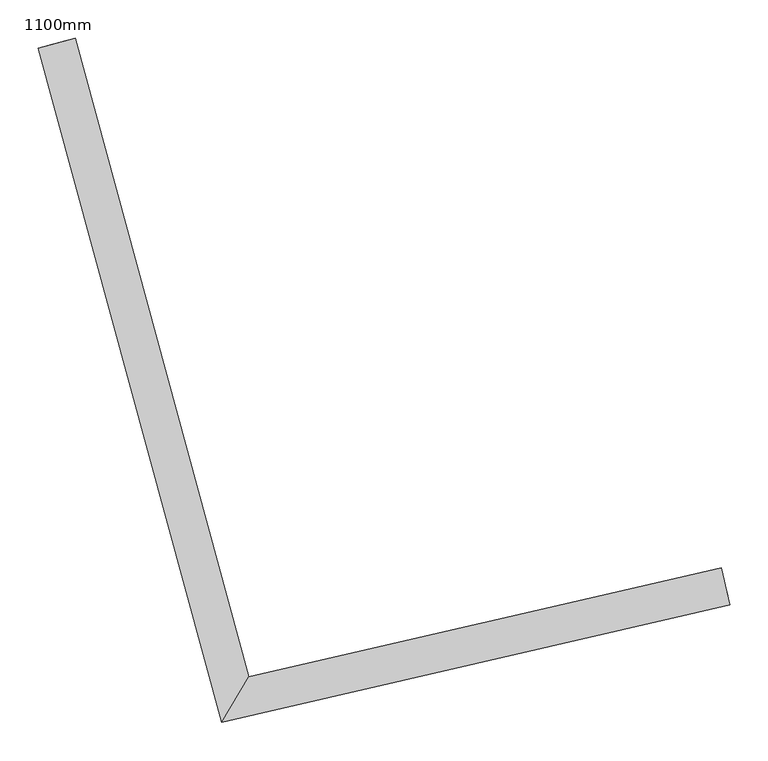
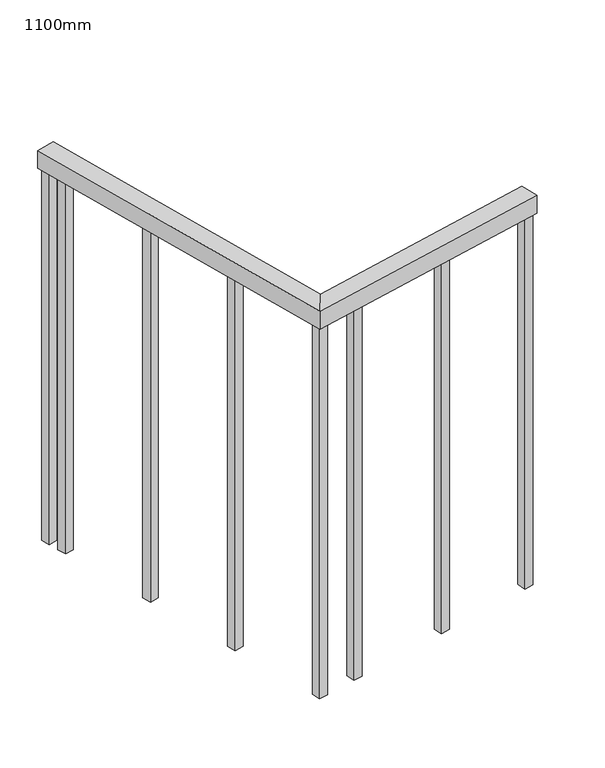
"""IFC4 building model written with IfcOpenShell, lengths in millimetres: railing geometry, 1100mm."""

from ifc_helpers import new_model, si_unit, frame, origin, place, context, project, spatial, polyline, outline, extrude, faceted_brep, source, transform, mapped, element, save


def railing_1100mm_aca69c27(model_context):
    return source(origin(), model_context, "Body", "SolidModel", [
        faceted_brep([(115688.6001979, -92308.4828349, 1700.0), (115699.8477506, -92357.2013381, 1700.0), (115699.8477506, -92357.2013381, 1650.0), (115688.6001979, -92308.4828349, 1650.0), (115070.4534528, -92451.1932558, 1700.0), (115034.8229873, -92510.7344023, 1700.0), (115034.8229873, -92510.7344023, 1650.0), (115070.4534528, -92451.1932558, 1650.0), (114843.1567639, -91614.9437961, 1700.0), (114843.1567639, -91614.9437961, 1650.0), (114794.9072933, -91628.058238, 1650.0), (114794.9072933, -91628.058238, 1700.0)], [[[0, 1, 2, 3]], [[1, 0, 4, 5]], [[2, 1, 5, 6]], [[3, 2, 6, 7]], [[0, 3, 7, 4]], [[8, 9, 10, 11]], [[5, 4, 8, 11]], [[6, 5, 11, 10]], [[7, 6, 10, 9]], [[4, 7, 9, 8]]]),
        extrude(outline(polyline([(114851.5909076, -91693.631321), (114827.4661723, -91700.188542), (114820.9089514, -91676.0638066), (114845.0336867, -91669.5065857), (114851.5909076, -91693.631321)])), frame((0.0, 0.0, 600.0), z_axis=(0.0, 0.0, 1.0), x_axis=(1.0, 0.0, 0.0)), (0.0, 0.0, 1.0), 1050.0),
        extrude(outline(polyline([(114923.7203378, -91959.0034094), (114899.5956025, -91965.5606303), (114893.0383815, -91941.435895), (114917.1631169, -91934.8786741), (114923.7203378, -91959.0034094)])), frame((0.0, 0.0, 600.0), z_axis=(0.0, 0.0, 1.0), x_axis=(1.0, 0.0, 0.0)), (0.0, 0.0, 1.0), 1050.0),
        extrude(outline(polyline([(114995.849768, -92224.3754978), (114971.7250327, -92230.9327187), (114965.1678117, -92206.8079834), (114989.292547, -92200.2507625), (114995.849768, -92224.3754978)])), frame((0.0, 0.0, 600.0), z_axis=(0.0, 0.0, 1.0), x_axis=(1.0, 0.0, 0.0)), (0.0, 0.0, 1.0), 1050.0),
        extrude(outline(polyline([(115167.6881762, -92441.5736524), (115173.3119526, -92465.932904), (115148.952701, -92471.5566804), (115143.3289246, -92447.1974288), (115167.6881762, -92441.5736524)])), frame((0.0, 0.0, 600.0), z_axis=(0.0, 0.0, 1.0), x_axis=(1.0, 0.0, 0.0)), (0.0, 0.0, 1.0), 1050.0),
        extrude(outline(polyline([(115435.639944, -92379.7121125), (115441.2637204, -92404.0713641), (115416.9044688, -92409.6951404), (115411.2806924, -92385.3358888), (115435.639944, -92379.7121125)])), frame((0.0, 0.0, 600.0), z_axis=(0.0, 0.0, 1.0), x_axis=(1.0, 0.0, 0.0)), (0.0, 0.0, 1.0), 1050.0),
        extrude(outline(polyline([(115062.0059577, -92465.972315), (115067.629734, -92490.3315667), (115043.2704824, -92495.955343), (115037.646706, -92471.5960914), (115062.0059577, -92465.972315)])), frame((0.0, 0.0, 600.0), z_axis=(0.0, 0.0, 1.0), x_axis=(1.0, 0.0, 0.0)), (0.0, 0.0, 1.0), 1050.0),
        extrude(outline(polyline([(114837.6516171, -91642.3471419), (114813.5268818, -91648.9043628), (114806.9696609, -91624.7796275), (114831.0943962, -91618.2224066), (114837.6516171, -91642.3471419)])), frame((0.0, 0.0, 600.0), z_axis=(0.0, 0.0, 1.0), x_axis=(1.0, 0.0, 0.0)), (0.0, 0.0, 1.0), 1050.0),
        extrude(outline(polyline([(115691.412086, -92320.6624607), (115697.0358624, -92345.0217123), (115672.6766108, -92350.6454887), (115667.0528344, -92326.2862371), (115691.412086, -92320.6624607)])), frame((0.0, 0.0, 600.0), z_axis=(0.0, 0.0, 1.0), x_axis=(1.0, 0.0, 0.0)), (0.0, 0.0, 1.0), 1050.0),
    ])


if __name__ == "__main__":
    model = new_model("IFC4")
    model_context = context("Model", 3, world=origin())
    ifc_project = project(units=[si_unit("LENGTHUNIT", "METRE", prefix="MILLI")], contexts=[model_context])
    site = spatial("IfcSite", under=ifc_project)
    building = spatial("IfcBuilding", under=site)
    placement = place(None, origin())
    railing_1100mm_shape = railing_1100mm_aca69c27(model_context)
    element("IfcRailing", 1, ObjectType="1100mm", at=placement, inside=building, context=model_context, shape_type="MappedRepresentation", body=[
        mapped(railing_1100mm_shape, transform((0.0, 0.0, 0.0), x_axis=(1.0, 0.0, 0.0), y_axis=(0.0, 1.0, 0.0), z_axis=(0.0, 0.0, 1.0))),
    ])
    save(model, "model.ifc")
